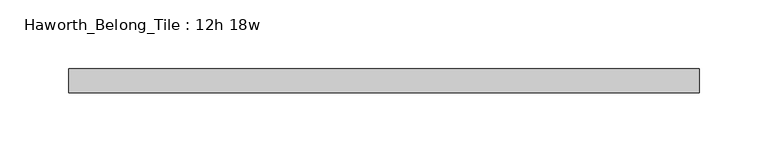
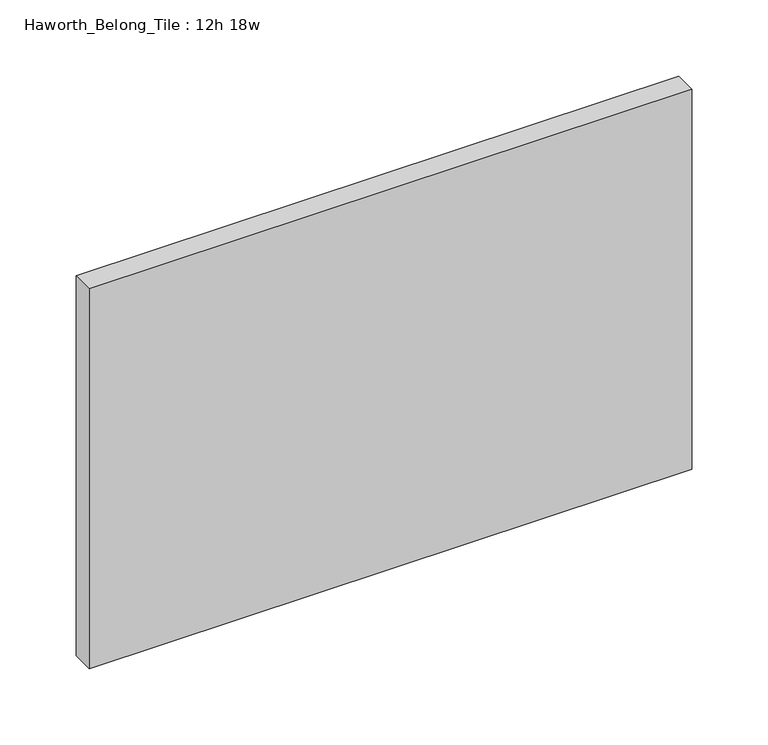
"""IFC4 building model written with IfcOpenShell, lengths in millimetres: furniture geometry, Haworth_Belong_Tile : 12h 18w."""

from ifc_helpers import new_model, si_unit, frame, origin, place, context, project, spatial, polyline, outline, extrude, source, transform, mapped, element, save


def haworth_belong_tile_12h_18w_ed5ebba7(model_context):
    return source(origin(), model_context, "Body", "SweptSolid", [
        extrude(outline(polyline([(228.6, 8.73125), (228.6, -8.73125), (-228.6, -8.73125), (-228.6, 8.73125), (228.6, 8.73125)])), frame((0.0, 0.0, 812.8), z_axis=(0.0, 0.0, 1.0), x_axis=(1.0, 0.0, 0.0)), (0.0, 0.0, 1.0), 304.8),
    ])


if __name__ == "__main__":
    model = new_model("IFC4")
    model_context = context("Model", 3, world=origin())
    ifc_project = project(units=[si_unit("LENGTHUNIT", "METRE", prefix="MILLI")], contexts=[model_context])
    site = spatial("IfcSite", under=ifc_project)
    building = spatial("IfcBuilding", under=site)
    placement = place(None, origin())
    haworth_belong_tile_12h_18w_shape = haworth_belong_tile_12h_18w_ed5ebba7(model_context)
    element("IfcFurniture", 1, ObjectType="Haworth_Belong_Tile : 12h 18w", at=placement, inside=building, context=model_context, shape_type="MappedRepresentation", body=[
        mapped(haworth_belong_tile_12h_18w_shape, transform((0.0, 0.0, 0.0), x_axis=(1.0, 0.0, 0.0), y_axis=(0.0, 1.0, 0.0), z_axis=(0.0, 0.0, 1.0))),
    ])
    save(model, "model.ifc")
